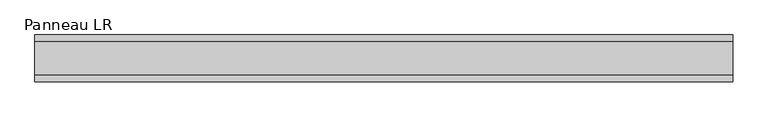
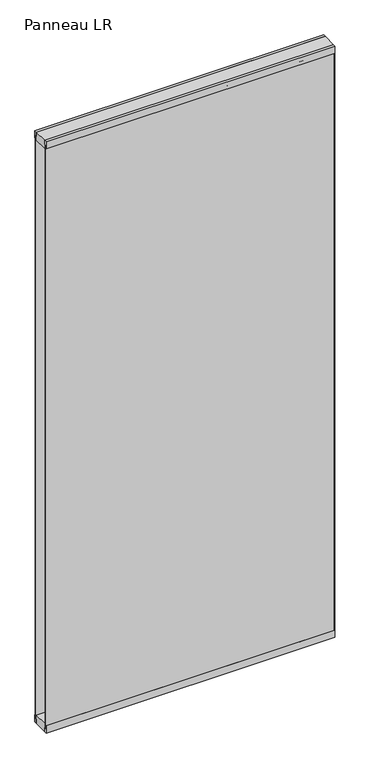
"""IFC4 building model written with IfcOpenShell, lengths in millimetres: plate geometry, Panneau LR."""

from ifc_helpers import new_model, si_unit, frame, origin, origin_with_axes, place, context, project, spatial, polyline, outline, extrude, source, transform, mapped, element, save


def panneau_lr_f2dd375e(model_context):
    return source(origin(), model_context, "Body", "SweptSolid", [
        extrude(outline(polyline([(33.0, 2910.0), (45.0, 2910.0), (45.0, 2875.0), (43.8, 2875.0), (43.8, 2890.0), (33.0, 2890.0), (33.0, 2910.0)])), frame((-671.8749999, 0.0, 0.0), z_axis=(1.0, 0.0, 0.0), x_axis=(0.0, 1.0, 0.0)), (0.0, 0.0, 1.0), 1343.7499999),
        extrude(outline(polyline([(-45.0, 2875.0), (-45.0, 2910.0), (-33.0, 2910.0), (-33.0, 2890.0), (-43.8, 2890.0), (-43.8, 2875.0), (-45.0, 2875.0)])), frame((-671.8749999, 0.0, 0.0), z_axis=(1.0, 0.0, 0.0), x_axis=(0.0, 1.0, 0.0)), (0.0, 0.0, 1.0), 1343.7499999),
        extrude(outline(polyline([(671.8749999, 43.8), (671.8749999, 37.8), (669.8749999, 37.8), (669.8749999, 43.8), (671.8749999, 43.8)])), frame((0.0, 0.0, 20.0), z_axis=(0.0, 0.0, 1.0), x_axis=(1.0, 0.0, 0.0)), (0.0, 0.0, 1.0), 2870.0),
        extrude(outline(polyline([(671.8749999, -37.8), (671.8749999, -43.8), (669.8749999, -43.8), (669.8749999, -37.8), (671.8749999, -37.8)])), frame((0.0, 0.0, 20.0), z_axis=(0.0, 0.0, 1.0), x_axis=(1.0, 0.0, 0.0)), (0.0, 0.0, 1.0), 2870.0),
        extrude(outline(polyline([(33.0, 0.0), (33.0, 20.0), (43.8, 20.0), (43.8, 35.0), (45.0, 35.0), (45.0, 0.0), (33.0, 0.0)])), frame((-671.8749999, 0.0, 0.0), z_axis=(1.0, 0.0, 0.0), x_axis=(0.0, 1.0, 0.0)), (0.0, 0.0, 1.0), 1343.7499999),
        extrude(outline(polyline([(-45.0, 35.0), (-43.8, 35.0), (-43.8, 20.0), (-33.0, 20.0), (-33.0, 0.0), (-45.0, 0.0), (-45.0, 35.0)])), frame((-671.8749999, 0.0, 0.0), z_axis=(1.0, 0.0, 0.0), x_axis=(0.0, 1.0, 0.0)), (0.0, 0.0, 1.0), 1343.7499999),
        extrude(outline(polyline([(671.8749999, -33.0), (-671.8749999, -33.0), (-671.8749999, 33.0), (671.8749999, 33.0), (671.8749999, -33.0)])), frame((0.0, 0.0, 2870.0), z_axis=(0.0, 0.0, 1.0), x_axis=(1.0, 0.0, 0.0)), (0.0, 0.0, 1.0), 40.0),
        extrude(outline(polyline([(671.8749999, -33.0), (-671.8749999, -33.0), (-671.8749999, 33.0), (671.8749999, 33.0), (671.8749999, -33.0)])), origin_with_axes(), (0.0, 0.0, 1.0), 40.0),
        extrude(outline(polyline([(669.8749999, 37.8), (-671.8749999, 37.8), (-671.8749999, 43.8), (669.8749999, 43.8), (669.8749999, 37.8)])), frame((0.0, 0.0, 20.0), z_axis=(0.0, 0.0, 1.0), x_axis=(1.0, 0.0, 0.0)), (0.0, 0.0, 1.0), 2870.0),
        extrude(outline(polyline([(-671.8749999, -43.8), (-671.8749999, -37.8), (669.8749999, -37.8), (669.8749999, -43.8), (-671.8749999, -43.8)])), frame((0.0, 0.0, 20.0), z_axis=(0.0, 0.0, 1.0), x_axis=(1.0, 0.0, 0.0)), (0.0, 0.0, 1.0), 2870.0),
    ])


if __name__ == "__main__":
    model = new_model("IFC4")
    model_context = context("Model", 3, world=origin())
    ifc_project = project(units=[si_unit("LENGTHUNIT", "METRE", prefix="MILLI")], contexts=[model_context])
    site = spatial("IfcSite", under=ifc_project)
    building = spatial("IfcBuilding", under=site)
    placement = place(None, origin())
    panneau_lr_shape = panneau_lr_f2dd375e(model_context)
    element("IfcPlate", 1, ObjectType="Panneau LR", at=placement, inside=building, context=model_context, shape_type="MappedRepresentation", body=[
        mapped(panneau_lr_shape, transform((0.0, 0.0, 0.0), x_axis=(1.0, 0.0, 0.0), y_axis=(0.0, 1.0, 0.0), z_axis=(0.0, 0.0, 1.0))),
    ])
    save(model, "model.ifc")
